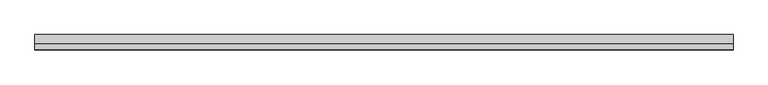
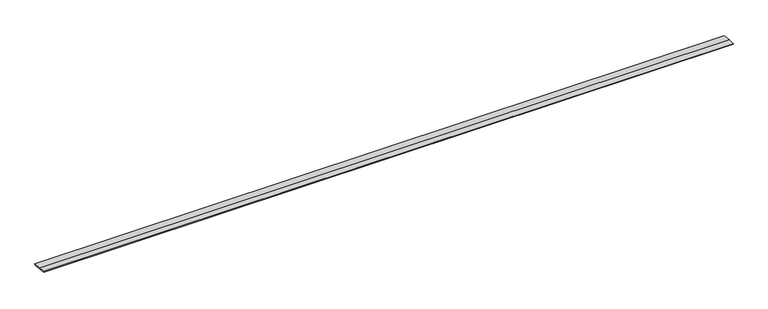
"""IFC4 building model written with IfcOpenShell, lengths in millimetres: beam geometry."""

from ifc_helpers import new_model, si_unit, frame, origin, place, context, project, spatial, polyline, outline, extrude, source, transform, mapped, element, save


def beam_2acd9a67(model_context):
    return source(origin(), model_context, "Body", "SweptSolid", [
        extrude(outline(polyline([(0.0, -9.143159), (1.1226388, 0.0), (79.0749747, 0.0), (180.9387048, -12.5072934), (178.6231873, -31.3656703), (0.0, -9.143159)])), frame((-4059.0480768, 0.0, 0.0), z_axis=(1.0, 0.0, 0.0), x_axis=(0.0, 1.0, 0.0)), (0.0, 0.0, 1.0), 8118.0961536),
    ])


if __name__ == "__main__":
    model = new_model("IFC4")
    model_context = context("Model", 3, world=origin())
    ifc_project = project(units=[si_unit("LENGTHUNIT", "METRE", prefix="MILLI")], contexts=[model_context])
    site = spatial("IfcSite", under=ifc_project)
    building = spatial("IfcBuilding", under=site)
    placement = place(None, origin())
    beam_shape = beam_2acd9a67(model_context)
    element("IfcBeam", 1, at=placement, inside=building, context=model_context, shape_type="MappedRepresentation", body=[
        mapped(beam_shape, transform((0.0, 0.0, 0.0), x_axis=(1.0, 0.0, 0.0), y_axis=(0.0, 1.0, 0.0), z_axis=(0.0, 0.0, 1.0))),
    ])
    save(model, "model.ifc")
